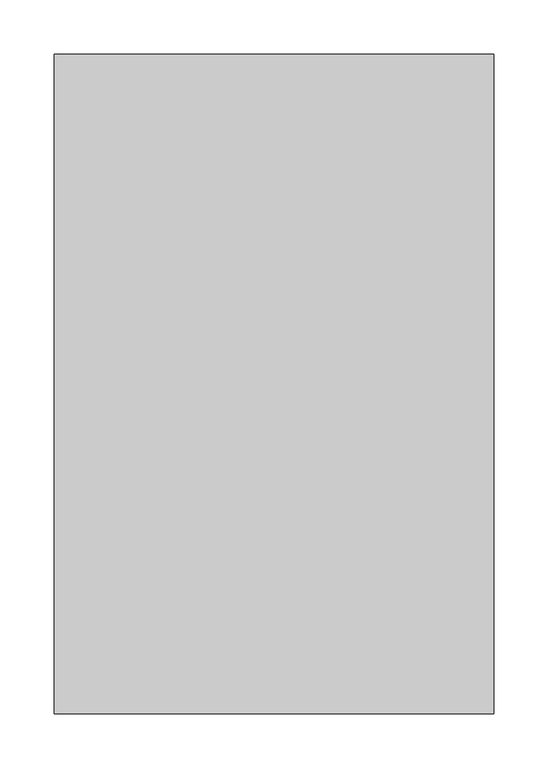
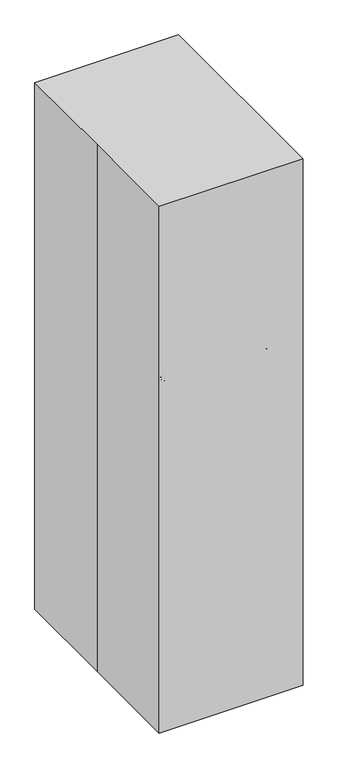
"""IFC4 building model written with IfcOpenShell, lengths in millimetres: proxy geometry."""

from ifc_helpers import new_model, si_unit, point, frame, origin, origin_with_axes, place, context, project, spatial, polyline, circle_curve, ellipse_curve, trimmed, outline, extrude, source, transform, mapped, element, save
from ifc_brep_helpers import plane_surface, cylinder_surface, revolved_surface, advanced_brep


def specialty_equipment_9fd3930d(model_context):
    return source(origin(), model_context, "Body", "SolidModel", [
        advanced_brep(
        [(-123.5140783, 201.8552552, 999.8159151), (-136.2140783, 189.1552552, 999.8159151), (-136.2140783, 189.1552552, 996.6409151), (-123.5140783, 201.8552552, 996.6409151), (-123.5140783, 224.0802552, 1002.9909151), (-158.4390783, 189.1552552, 1002.9909151), (-155.2640783, 189.1552552, 999.8159151), (-123.5140783, 220.9052552, 999.8159151), (-123.5140783, 224.0802552, 1015.2574617), (-158.4390783, 189.1552552, 1015.2574617), (-123.5140783, 226.4102935, 1017.5875), (-160.7691166, 189.1552552, 1017.5875), (-123.5140783, 233.6052552, 1015.5808485), (-167.9640783, 189.1552552, 1015.5808485), (-165.9574268, 189.1552552, 1017.5875), (-123.5140783, 231.5986038, 1017.5875), (-123.5140783, 233.6052552, 1011.9917262), (-167.9640783, 189.1552552, 1011.9917262), (-123.5140783, 232.8510291, 1011.2375), (-167.2098521, 189.1552552, 1011.2375), (-123.5140783, 232.0177552, 1016.0), (-166.3765783, 189.1552552, 1016.0), (-166.3765783, 189.1552552, 1011.2375), (-123.5140783, 232.0177552, 1011.2375), (-123.5140783, 227.2552552, 1002.9909151), (-161.6140783, 189.1552552, 1002.9909151), (-161.6140783, 189.1552552, 1016.0), (-123.5140783, 227.2552552, 1016.0), (-123.5140783, 220.9052552, 996.6409151), (-155.2640783, 189.1552552, 996.6409151), (124.1359217, 201.8552552, 996.6409151), (124.1359217, 201.8552552, 999.8159151), (124.1359217, 220.9052552, 999.8159151), (124.1359217, 224.0802552, 1002.9909151), (124.1359217, 224.0802552, 1015.2574617), (124.1359217, 226.4102935, 1017.5875), (124.1359217, 231.5986038, 1017.5875), (124.1359217, 233.6052552, 1015.5808485), (124.1359217, 233.6052552, 1011.9917262), (124.1359217, 232.8510291, 1011.2375), (124.1359217, 232.0177552, 1011.2375), (124.1359217, 232.0177552, 1016.0), (124.1359217, 227.2552552, 1016.0), (124.1359217, 227.2552552, 1002.9909151), (124.1359217, 220.9052552, 996.6409151), (136.8359217, 189.1552552, 999.8159151), (136.8359217, 189.1552552, 996.6409151), (159.0609217, 189.1552552, 1002.9909151), (155.8859217, 189.1552552, 999.8159151), (159.0609217, 189.1552552, 1015.2574617), (161.39096, 189.1552552, 1017.5875), (168.5859217, 189.1552552, 1015.5808485), (166.5792702, 189.1552552, 1017.5875), (168.5859217, 189.1552552, 1011.9917262), (167.8316955, 189.1552552, 1011.2375), (166.9984217, 189.1552552, 1016.0), (166.9984217, 189.1552552, 1011.2375), (162.2359217, 189.1552552, 1002.9909151), (162.2359217, 189.1552552, 1016.0), (155.8859217, 189.1552552, 996.6409151), (136.8359217, -223.5947448, 996.6409151), (136.8359217, -223.5947448, 999.8159151), (155.8859217, -223.5947448, 999.8159151), (159.0609217, -223.5947448, 1002.9909151), (159.0609217, -223.5947448, 1015.2574617), (161.39096, -223.5947448, 1017.5875), (166.5792702, -223.5947448, 1017.5875), (168.5859217, -223.5947448, 1015.5808485), (168.5859217, -223.5947448, 1011.9917262), (167.8316955, -223.5947448, 1011.2375), (166.9984217, -223.5947448, 1011.2375), (166.9984217, -223.5947448, 1016.0), (162.2359217, -223.5947448, 1016.0), (162.2359217, -223.5947448, 1002.9909151), (155.8859217, -223.5947448, 996.6409151), (124.1359217, -236.2947448, 999.8159151), (124.1359217, -236.2947448, 996.6409151), (124.1359217, -258.5197448, 1002.9909151), (124.1359217, -255.3447448, 999.8159151), (124.1359217, -258.5197448, 1015.2574617), (124.1359217, -260.849783, 1017.5875), (124.1359217, -268.0447448, 1015.5808485), (124.1359217, -266.0380933, 1017.5875), (124.1359217, -268.0447448, 1011.9917262), (124.1359217, -267.2905186, 1011.2375), (124.1359217, -266.4572448, 1016.0), (124.1359217, -266.4572448, 1011.2375), (124.1359217, -261.6947448, 1002.9909151), (124.1359217, -261.6947448, 1016.0), (124.1359217, -255.3447448, 996.6409151), (-123.5140783, -236.2947448, 996.6409151), (-123.5140783, -236.2947448, 999.8159151), (-123.5140783, -255.3447448, 999.8159151), (-123.5140783, -258.5197448, 1002.9909151), (-123.5140783, -258.5197448, 1015.2574617), (-123.5140783, -260.849783, 1017.5875), (-123.5140783, -266.0380933, 1017.5875), (-123.5140783, -268.0447448, 1015.5808485), (-123.5140783, -268.0447448, 1011.9917262), (-123.5140783, -267.2905186, 1011.2375), (-123.5140783, -266.4572448, 1011.2375), (-123.5140783, -266.4572448, 1016.0), (-123.5140783, -261.6947448, 1016.0), (-123.5140783, -261.6947448, 1002.9909151), (-123.5140783, -255.3447448, 996.6409151), (-136.2140783, -223.5947448, 999.8159151), (-136.2140783, -223.5947448, 996.6409151), (-155.2640783, -223.5947448, 999.8159151), (-158.4390783, -223.5947448, 1002.9909151), (-158.4390783, -223.5947448, 1015.2574617), (-160.7691166, -223.5947448, 1017.5875), (-165.9574268, -223.5947448, 1017.5875), (-167.9640783, -223.5947448, 1015.5808485), (-167.9640783, -223.5947448, 1011.9917262), (-167.2098521, -223.5947448, 1011.2375), (-166.3765783, -223.5947448, 1011.2375), (-166.3765783, -223.5947448, 1016.0), (-161.6140783, -223.5947448, 1016.0), (-161.6140783, -223.5947448, 1002.9909151), (-155.2640783, -223.5947448, 996.6409151)],
        [
            (0, 1, circle_curve(frame((-123.5140783, 189.1552552, 999.8159151), z_axis=(0.0, 0.0, 1.0), x_axis=(-1.0, 0.0, 0.0)), 12.7)),
            (1, 2),
            (2, 3, circle_curve(frame((-123.5140783, 189.1552552, 996.6409151), z_axis=(0.0, 0.0, -1.0), x_axis=(-1.0, 0.0, 0.0)), 12.7)),
            (3, 0),
            (4, 5, circle_curve(frame((-123.5140783, 189.1552552, 1002.9909151), z_axis=(0.0, 0.0, 1.0), x_axis=(-1.0, 0.0, 0.0)), 34.925)),
            (5, 6, circle_curve(frame((-155.2640783, 189.1552552, 1002.9909151), z_axis=(0.0, -1.0, 0.0), x_axis=(-1.0, 0.0, 0.0)), 3.175)),
            (6, 7, circle_curve(frame((-123.5140783, 189.1552552, 999.8159151), z_axis=(0.0, 0.0, -1.0), x_axis=(-1.0, 0.0, 0.0)), 31.75)),
            (7, 4, circle_curve(frame((-123.5140783, 220.9052552, 1002.9909151), z_axis=(1.0, 0.0, 0.0), x_axis=(0.0, 1.0, 0.0)), 3.175)),
            (8, 9, circle_curve(frame((-123.5140783, 189.1552552, 1015.2574617), z_axis=(0.0, 0.0, 1.0), x_axis=(-1.0, 0.0, 0.0)), 34.925)),
            (9, 5),
            (4, 8),
            (10, 11, circle_curve(frame((-123.5140783, 189.1552552, 1017.5875), z_axis=(0.0, 0.0, 1.0), x_axis=(-1.0, 0.0, 0.0)), 37.2550383)),
            (11, 9, circle_curve(frame((-160.7691166, 189.1552552, 1015.2574617), z_axis=(0.0, 1.0, 0.0), x_axis=(-1.0, 0.0, 0.0)), 2.3300383)),
            (8, 10, circle_curve(frame((-123.5140783, 226.4102935, 1015.2574617), z_axis=(-1.0, 0.0, 0.0), x_axis=(0.0, 1.0, 0.0)), 2.3300383)),
            (12, 13, circle_curve(frame((-123.5140783, 189.1552552, 1015.5808485), z_axis=(0.0, 0.0, 1.0), x_axis=(-1.0, 0.0, 0.0)), 44.45)),
            (13, 14, circle_curve(frame((-165.9574268, 189.1552552, 1015.5808485), z_axis=(0.0, 1.0, 0.0), x_axis=(-1.0, 0.0, 0.0)), 2.0066515)),
            (14, 15, circle_curve(frame((-123.5140783, 189.1552552, 1017.5875), z_axis=(0.0, 0.0, -1.0), x_axis=(-1.0, 0.0, 0.0)), 42.4433485)),
            (15, 12, circle_curve(frame((-123.5140783, 231.5986038, 1015.5808485), z_axis=(-1.0, 0.0, 0.0), x_axis=(0.0, 1.0, 0.0)), 2.0066515)),
            (16, 17, circle_curve(frame((-123.5140783, 189.1552552, 1011.9917262), z_axis=(0.0, 0.0, 1.0), x_axis=(-1.0, 0.0, 0.0)), 44.45)),
            (17, 13),
            (12, 16),
            (18, 19, circle_curve(frame((-123.5140783, 189.1552552, 1011.2375), z_axis=(0.0, 0.0, 1.0), x_axis=(-1.0, 0.0, 0.0)), 43.6957738)),
            (19, 17, circle_curve(frame((-167.2098521, 189.1552552, 1011.9917262), z_axis=(0.0, 1.0, 0.0), x_axis=(-1.0, 0.0, 0.0)), 0.7542262)),
            (16, 18, circle_curve(frame((-123.5140783, 232.8510291, 1011.9917262), z_axis=(-1.0, 0.0, 0.0), x_axis=(0.0, 1.0, 0.0)), 0.7542262)),
            (20, 21, circle_curve(frame((-123.5140783, 189.1552552, 1016.0), z_axis=(0.0, 0.0, 1.0), x_axis=(-1.0, 0.0, 0.0)), 42.8625)),
            (21, 22),
            (22, 23, circle_curve(frame((-123.5140783, 189.1552552, 1011.2375), z_axis=(0.0, 0.0, -1.0), x_axis=(-1.0, 0.0, 0.0)), 42.8625)),
            (23, 20),
            (24, 25, circle_curve(frame((-123.5140783, 189.1552552, 1002.9909151), z_axis=(0.0, 0.0, 1.0), x_axis=(-1.0, 0.0, 0.0)), 38.1)),
            (25, 26),
            (26, 27, circle_curve(frame((-123.5140783, 189.1552552, 1016.0), z_axis=(0.0, 0.0, -1.0), x_axis=(-1.0, 0.0, 0.0)), 38.1)),
            (27, 24),
            (28, 29, circle_curve(frame((-123.5140783, 189.1552552, 996.6409151), z_axis=(0.0, 0.0, 1.0), x_axis=(-1.0, 0.0, 0.0)), 31.75)),
            (29, 25, circle_curve(frame((-155.2640783, 189.1552552, 1002.9909151), z_axis=(0.0, 1.0, 0.0), x_axis=(-1.0, 0.0, 0.0)), 6.35)),
            (24, 28, circle_curve(frame((-123.5140783, 220.9052552, 1002.9909151), z_axis=(-1.0, 0.0, 0.0), x_axis=(0.0, 1.0, 0.0)), 6.35)),
            (3, 30),
            (30, 31),
            (31, 0),
            (7, 32),
            (32, 33, circle_curve(frame((124.1359217, 220.9052552, 1002.9909151), z_axis=(1.0, 0.0, 0.0), x_axis=(0.0, 1.0, 0.0)), 3.175)),
            (33, 4),
            (33, 34),
            (34, 8),
            (34, 35, circle_curve(frame((124.1359217, 226.4102935, 1015.2574617), z_axis=(-1.0, 0.0, 0.0), x_axis=(0.0, 1.0, 0.0)), 2.3300383)),
            (35, 10),
            (15, 36),
            (36, 37, circle_curve(frame((124.1359217, 231.5986038, 1015.5808485), z_axis=(-1.0, 0.0, 0.0), x_axis=(0.0, 1.0, 0.0)), 2.0066515)),
            (37, 12),
            (37, 38),
            (38, 16),
            (38, 39, circle_curve(frame((124.1359217, 232.8510291, 1011.9917262), z_axis=(-1.0, 0.0, 0.0), x_axis=(0.0, 1.0, 0.0)), 0.7542262)),
            (39, 18),
            (23, 40),
            (40, 41),
            (41, 20),
            (27, 42),
            (42, 43),
            (43, 24),
            (43, 44, circle_curve(frame((124.1359217, 220.9052552, 1002.9909151), z_axis=(-1.0, 0.0, 0.0), x_axis=(0.0, 1.0, 0.0)), 6.35)),
            (44, 28),
            (45, 31, circle_curve(frame((124.1359217, 189.1552552, 999.8159151), z_axis=(0.0, 0.0, 1.0), x_axis=(0.0, 1.0, 0.0)), 12.7)),
            (30, 46, circle_curve(frame((124.1359217, 189.1552552, 996.6409151), z_axis=(0.0, 0.0, -1.0), x_axis=(0.0, 1.0, 0.0)), 12.7)),
            (46, 45),
            (47, 33, circle_curve(frame((124.1359217, 189.1552552, 1002.9909151), z_axis=(0.0, 0.0, 1.0), x_axis=(0.0, 1.0, 0.0)), 34.925)),
            (32, 48, circle_curve(frame((124.1359217, 189.1552552, 999.8159151), z_axis=(0.0, 0.0, -1.0), x_axis=(0.0, 1.0, 0.0)), 31.75)),
            (48, 47, circle_curve(frame((155.8859217, 189.1552552, 1002.9909151), z_axis=(0.0, -1.0, 0.0), x_axis=(1.0, 0.0, 0.0)), 3.175)),
            (49, 34, circle_curve(frame((124.1359217, 189.1552552, 1015.2574617), z_axis=(0.0, 0.0, 1.0), x_axis=(0.0, 1.0, 0.0)), 34.925)),
            (47, 49),
            (50, 35, circle_curve(frame((124.1359217, 189.1552552, 1017.5875), z_axis=(0.0, 0.0, 1.0), x_axis=(0.0, 1.0, 0.0)), 37.2550383)),
            (49, 50, circle_curve(frame((161.39096, 189.1552552, 1015.2574617), z_axis=(0.0, 1.0, 0.0), x_axis=(1.0, 0.0, 0.0)), 2.3300383)),
            (51, 37, circle_curve(frame((124.1359217, 189.1552552, 1015.5808485), z_axis=(0.0, 0.0, 1.0), x_axis=(0.0, 1.0, 0.0)), 44.45)),
            (36, 52, circle_curve(frame((124.1359217, 189.1552552, 1017.5875), z_axis=(0.0, 0.0, -1.0), x_axis=(0.0, 1.0, 0.0)), 42.4433485)),
            (52, 51, circle_curve(frame((166.5792702, 189.1552552, 1015.5808485), z_axis=(0.0, 1.0, 0.0), x_axis=(1.0, 0.0, 0.0)), 2.0066515)),
            (53, 38, circle_curve(frame((124.1359217, 189.1552552, 1011.9917262), z_axis=(0.0, 0.0, 1.0), x_axis=(0.0, 1.0, 0.0)), 44.45)),
            (51, 53),
            (54, 39, circle_curve(frame((124.1359217, 189.1552552, 1011.2375), z_axis=(0.0, 0.0, 1.0), x_axis=(0.0, 1.0, 0.0)), 43.6957738)),
            (53, 54, circle_curve(frame((167.8316955, 189.1552552, 1011.9917262), z_axis=(0.0, 1.0, 0.0), x_axis=(1.0, 0.0, 0.0)), 0.7542262)),
            (55, 41, circle_curve(frame((124.1359217, 189.1552552, 1016.0), z_axis=(0.0, 0.0, 1.0), x_axis=(0.0, 1.0, 0.0)), 42.8625)),
            (40, 56, circle_curve(frame((124.1359217, 189.1552552, 1011.2375), z_axis=(0.0, 0.0, -1.0), x_axis=(0.0, 1.0, 0.0)), 42.8625)),
            (56, 55),
            (57, 43, circle_curve(frame((124.1359217, 189.1552552, 1002.9909151), z_axis=(0.0, 0.0, 1.0), x_axis=(0.0, 1.0, 0.0)), 38.1)),
            (42, 58, circle_curve(frame((124.1359217, 189.1552552, 1016.0), z_axis=(0.0, 0.0, -1.0), x_axis=(0.0, 1.0, 0.0)), 38.1)),
            (58, 57),
            (59, 44, circle_curve(frame((124.1359217, 189.1552552, 996.6409151), z_axis=(0.0, 0.0, 1.0), x_axis=(0.0, 1.0, 0.0)), 31.75)),
            (57, 59, circle_curve(frame((155.8859217, 189.1552552, 1002.9909151), z_axis=(0.0, 1.0, 0.0), x_axis=(1.0, 0.0, 0.0)), 6.35)),
            (46, 60),
            (60, 61),
            (61, 45),
            (48, 62),
            (62, 63, circle_curve(frame((155.8859217, -223.5947448, 1002.9909151), z_axis=(0.0, -1.0, 0.0), x_axis=(1.0, 0.0, 0.0)), 3.175)),
            (63, 47),
            (63, 64),
            (64, 49),
            (64, 65, circle_curve(frame((161.39096, -223.5947448, 1015.2574617), z_axis=(0.0, 1.0, 0.0), x_axis=(1.0, 0.0, 0.0)), 2.3300383)),
            (65, 50),
            (52, 66),
            (66, 67, circle_curve(frame((166.5792702, -223.5947448, 1015.5808485), z_axis=(0.0, 1.0, 0.0), x_axis=(1.0, 0.0, 0.0)), 2.0066515)),
            (67, 51),
            (67, 68),
            (68, 53),
            (68, 69, circle_curve(frame((167.8316955, -223.5947448, 1011.9917262), z_axis=(0.0, 1.0, 0.0), x_axis=(1.0, 0.0, 0.0)), 0.7542262)),
            (69, 54),
            (56, 70),
            (70, 71),
            (71, 55),
            (58, 72),
            (72, 73),
            (73, 57),
            (73, 74, circle_curve(frame((155.8859217, -223.5947448, 1002.9909151), z_axis=(0.0, 1.0, 0.0), x_axis=(1.0, 0.0, 0.0)), 6.35)),
            (74, 59),
            (75, 61, circle_curve(frame((124.1359217, -223.5947448, 999.8159151), z_axis=(0.0, 0.0, 1.0), x_axis=(1.0, 0.0, 0.0)), 12.7)),
            (60, 76, circle_curve(frame((124.1359217, -223.5947448, 996.6409151), z_axis=(0.0, 0.0, -1.0), x_axis=(1.0, 0.0, 0.0)), 12.7)),
            (76, 75),
            (77, 63, circle_curve(frame((124.1359217, -223.5947448, 1002.9909151), z_axis=(0.0, 0.0, 1.0), x_axis=(1.0, 0.0, 0.0)), 34.925)),
            (62, 78, circle_curve(frame((124.1359217, -223.5947448, 999.8159151), z_axis=(0.0, 0.0, -1.0), x_axis=(1.0, 0.0, 0.0)), 31.75)),
            (78, 77, circle_curve(frame((124.1359217, -255.3447448, 1002.9909151), z_axis=(-1.0, 0.0, 0.0), x_axis=(0.0, -1.0, 0.0)), 3.175)),
            (79, 64, circle_curve(frame((124.1359217, -223.5947448, 1015.2574617), z_axis=(0.0, 0.0, 1.0), x_axis=(1.0, 0.0, 0.0)), 34.925)),
            (77, 79),
            (80, 65, circle_curve(frame((124.1359217, -223.5947448, 1017.5875), z_axis=(0.0, 0.0, 1.0), x_axis=(1.0, 0.0, 0.0)), 37.2550383)),
            (79, 80, circle_curve(frame((124.1359217, -260.849783, 1015.2574617), z_axis=(1.0, 0.0, 0.0), x_axis=(0.0, -1.0, 0.0)), 2.3300383)),
            (81, 67, circle_curve(frame((124.1359217, -223.5947448, 1015.5808485), z_axis=(0.0, 0.0, 1.0), x_axis=(1.0, 0.0, 0.0)), 44.45)),
            (66, 82, circle_curve(frame((124.1359217, -223.5947448, 1017.5875), z_axis=(0.0, 0.0, -1.0), x_axis=(1.0, 0.0, 0.0)), 42.4433485)),
            (82, 81, circle_curve(frame((124.1359217, -266.0380933, 1015.5808485), z_axis=(1.0, 0.0, 0.0), x_axis=(0.0, -1.0, 0.0)), 2.0066515)),
            (83, 68, circle_curve(frame((124.1359217, -223.5947448, 1011.9917262), z_axis=(0.0, 0.0, 1.0), x_axis=(1.0, 0.0, 0.0)), 44.45)),
            (81, 83),
            (84, 69, circle_curve(frame((124.1359217, -223.5947448, 1011.2375), z_axis=(0.0, 0.0, 1.0), x_axis=(1.0, 0.0, 0.0)), 43.6957738)),
            (83, 84, circle_curve(frame((124.1359217, -267.2905186, 1011.9917262), z_axis=(1.0, 0.0, 0.0), x_axis=(0.0, -1.0, 0.0)), 0.7542262)),
            (85, 71, circle_curve(frame((124.1359217, -223.5947448, 1016.0), z_axis=(0.0, 0.0, 1.0), x_axis=(1.0, 0.0, 0.0)), 42.8625)),
            (70, 86, circle_curve(frame((124.1359217, -223.5947448, 1011.2375), z_axis=(0.0, 0.0, -1.0), x_axis=(1.0, 0.0, 0.0)), 42.8625)),
            (86, 85),
            (87, 73, circle_curve(frame((124.1359217, -223.5947448, 1002.9909151), z_axis=(0.0, 0.0, 1.0), x_axis=(1.0, 0.0, 0.0)), 38.1)),
            (72, 88, circle_curve(frame((124.1359217, -223.5947448, 1016.0), z_axis=(0.0, 0.0, -1.0), x_axis=(1.0, 0.0, 0.0)), 38.1)),
            (88, 87),
            (89, 74, circle_curve(frame((124.1359217, -223.5947448, 996.6409151), z_axis=(0.0, 0.0, 1.0), x_axis=(1.0, 0.0, 0.0)), 31.75)),
            (87, 89, circle_curve(frame((124.1359217, -255.3447448, 1002.9909151), z_axis=(1.0, 0.0, 0.0), x_axis=(0.0, -1.0, 0.0)), 6.35)),
            (76, 90),
            (90, 91),
            (91, 75),
            (78, 92),
            (92, 93, circle_curve(frame((-123.5140783, -255.3447448, 1002.9909151), z_axis=(-1.0, 0.0, 0.0), x_axis=(0.0, -1.0, 0.0)), 3.175)),
            (93, 77),
            (93, 94),
            (94, 79),
            (94, 95, circle_curve(frame((-123.5140783, -260.849783, 1015.2574617), z_axis=(1.0, 0.0, 0.0), x_axis=(0.0, -1.0, 0.0)), 2.3300383)),
            (95, 80),
            (82, 96),
            (96, 97, circle_curve(frame((-123.5140783, -266.0380933, 1015.5808485), z_axis=(1.0, 0.0, 0.0), x_axis=(0.0, -1.0, 0.0)), 2.0066515)),
            (97, 81),
            (97, 98),
            (98, 83),
            (98, 99, circle_curve(frame((-123.5140783, -267.2905186, 1011.9917262), z_axis=(1.0, 0.0, 0.0), x_axis=(0.0, -1.0, 0.0)), 0.7542262)),
            (99, 84),
            (86, 100),
            (100, 101),
            (101, 85),
            (88, 102),
            (102, 103),
            (103, 87),
            (103, 104, circle_curve(frame((-123.5140783, -255.3447448, 1002.9909151), z_axis=(1.0, 0.0, 0.0), x_axis=(0.0, -1.0, 0.0)), 6.35)),
            (104, 89),
            (105, 91, circle_curve(frame((-123.5140783, -223.5947448, 999.8159151), z_axis=(0.0, 0.0, 1.0), x_axis=(0.0, -1.0, 0.0)), 12.7)),
            (90, 106, circle_curve(frame((-123.5140783, -223.5947448, 996.6409151), z_axis=(0.0, 0.0, -1.0), x_axis=(0.0, -1.0, 0.0)), 12.7)),
            (106, 105),
            (107, 92, circle_curve(frame((-123.5140783, -223.5947448, 999.8159151), z_axis=(0.0, 0.0, 1.0), x_axis=(0.0, -1.0, 0.0)), 31.75)),
            (6, 107),
            (105, 1),
            (108, 93, circle_curve(frame((-123.5140783, -223.5947448, 1002.9909151), z_axis=(0.0, 0.0, 1.0), x_axis=(0.0, -1.0, 0.0)), 34.925)),
            (107, 108, circle_curve(frame((-155.2640783, -223.5947448, 1002.9909151), z_axis=(0.0, 1.0, 0.0), x_axis=(-1.0, 0.0, 0.0)), 3.175)),
            (109, 94, circle_curve(frame((-123.5140783, -223.5947448, 1015.2574617), z_axis=(0.0, 0.0, 1.0), x_axis=(0.0, -1.0, 0.0)), 34.925)),
            (108, 109),
            (110, 95, circle_curve(frame((-123.5140783, -223.5947448, 1017.5875), z_axis=(0.0, 0.0, 1.0), x_axis=(0.0, -1.0, 0.0)), 37.2550383)),
            (109, 110, circle_curve(frame((-160.7691166, -223.5947448, 1015.2574617), z_axis=(0.0, -1.0, 0.0), x_axis=(-1.0, 0.0, 0.0)), 2.3300383)),
            (111, 96, circle_curve(frame((-123.5140783, -223.5947448, 1017.5875), z_axis=(0.0, 0.0, 1.0), x_axis=(0.0, -1.0, 0.0)), 42.4433485)),
            (14, 111),
            (110, 11),
            (112, 97, circle_curve(frame((-123.5140783, -223.5947448, 1015.5808485), z_axis=(0.0, 0.0, 1.0), x_axis=(0.0, -1.0, 0.0)), 44.45)),
            (111, 112, circle_curve(frame((-165.9574268, -223.5947448, 1015.5808485), z_axis=(0.0, -1.0, 0.0), x_axis=(-1.0, 0.0, 0.0)), 2.0066515)),
            (113, 98, circle_curve(frame((-123.5140783, -223.5947448, 1011.9917262), z_axis=(0.0, 0.0, 1.0), x_axis=(0.0, -1.0, 0.0)), 44.45)),
            (112, 113),
            (114, 99, circle_curve(frame((-123.5140783, -223.5947448, 1011.2375), z_axis=(0.0, 0.0, 1.0), x_axis=(0.0, -1.0, 0.0)), 43.6957738)),
            (113, 114, circle_curve(frame((-167.2098521, -223.5947448, 1011.9917262), z_axis=(0.0, -1.0, 0.0), x_axis=(-1.0, 0.0, 0.0)), 0.7542262)),
            (114, 19),
            (115, 100, circle_curve(frame((-123.5140783, -223.5947448, 1011.2375), z_axis=(0.0, 0.0, 1.0), x_axis=(0.0, -1.0, 0.0)), 42.8625)),
            (22, 115),
            (116, 101, circle_curve(frame((-123.5140783, -223.5947448, 1016.0), z_axis=(0.0, 0.0, 1.0), x_axis=(0.0, -1.0, 0.0)), 42.8625)),
            (115, 116),
            (116, 21),
            (117, 102, circle_curve(frame((-123.5140783, -223.5947448, 1016.0), z_axis=(0.0, 0.0, 1.0), x_axis=(0.0, -1.0, 0.0)), 38.1)),
            (26, 117),
            (118, 103, circle_curve(frame((-123.5140783, -223.5947448, 1002.9909151), z_axis=(0.0, 0.0, 1.0), x_axis=(0.0, -1.0, 0.0)), 38.1)),
            (117, 118),
            (119, 104, circle_curve(frame((-123.5140783, -223.5947448, 996.6409151), z_axis=(0.0, 0.0, 1.0), x_axis=(0.0, -1.0, 0.0)), 31.75)),
            (118, 119, circle_curve(frame((-155.2640783, -223.5947448, 1002.9909151), z_axis=(0.0, -1.0, 0.0), x_axis=(-1.0, 0.0, 0.0)), 6.35)),
            (119, 29),
            (2, 106),
            (5, 108),
            (9, 109),
            (13, 112),
            (17, 113),
            (25, 118),
        ],
        [
            revolved_surface(polyline([(-136.21407829999998, 189.1552552, 996.6409151), (-136.21407829999998, 189.1552552, 999.8159151)]), (-123.5140783, 189.1552552, 977.5909151), (0.0, 0.0, -1.0)),
            revolved_surface(trimmed(ellipse_curve(frame((-155.2640783, 189.1552552, 1002.9909151), z_axis=(0.0, 1.0, 0.0), x_axis=(-1.0, 0.0, 0.0)), 3.175, 3.175), [point((-155.2640783, 189.1552552, 999.8159151))], [point((-158.4390783, 189.1552552, 1002.9909151))], True, "CARTESIAN"), (-123.5140783, 189.1552552, 977.5909151), (0.0, 0.0, -1.0)),
            revolved_surface(polyline([(-158.4390783, 189.1552552, 1002.9909151), (-158.4390783, 189.1552552, 1015.2574617)]), (-123.5140783, 189.1552552, 977.5909151), (0.0, 0.0, -1.0)),
            revolved_surface(trimmed(ellipse_curve(frame((-160.7691166, 189.1552552, 1015.2574617), z_axis=(0.0, -1.0, 0.0), x_axis=(-1.0, 0.0, 0.0)), 2.3300383, 2.3300383), [point((-158.4390783, 189.1552552, 1015.2574617))], [point((-160.7691166, 189.1552552, 1017.5875))], True, "CARTESIAN"), (-123.5140783, 189.1552552, 977.5909151), (0.0, 0.0, -1.0)),
            revolved_surface(trimmed(ellipse_curve(frame((-165.9574268, 189.1552552, 1015.5808485), z_axis=(0.0, -1.0, 0.0), x_axis=(-1.0, 0.0, 0.0)), 2.0066515, 2.0066515), [point((-165.9574268, 189.1552552, 1017.5875))], [point((-167.9640783, 189.1552552, 1015.5808485))], True, "CARTESIAN"), (-123.5140783, 189.1552552, 977.5909151), (0.0, 0.0, -1.0)),
            cylinder_surface(frame((-123.5140783, 189.1552552, 977.5909151), z_axis=(0.0, 0.0, -1.0), x_axis=(-1.0, 0.0, 0.0)), 44.45),
            revolved_surface(trimmed(ellipse_curve(frame((-167.2098521, 189.1552552, 1011.9917262), z_axis=(0.0, -1.0, 0.0), x_axis=(-1.0, 0.0, 0.0)), 0.7542262, 0.7542262), [point((-167.9640783, 189.1552552, 1011.9917262))], [point((-167.2098521, 189.1552552, 1011.2375))], True, "CARTESIAN"), (-123.5140783, 189.1552552, 977.5909151), (0.0, 0.0, -1.0)),
            revolved_surface(polyline([(-166.3765783, 189.1552552, 1011.2375), (-166.3765783, 189.1552552, 1016.0)]), (-123.5140783, 189.1552552, 977.5909151), (0.0, 0.0, -1.0)),
            cylinder_surface(frame((-123.5140783, 189.1552552, 977.5909151), z_axis=(0.0, 0.0, -1.0), x_axis=(-1.0, 0.0, 0.0)), 38.1),
            revolved_surface(trimmed(ellipse_curve(frame((-155.2640783, 189.1552552, 1002.9909151), z_axis=(0.0, -1.0, 0.0), x_axis=(-1.0, 0.0, 0.0)), 6.35, 6.35), [point((-161.6140783, 189.1552552, 1002.9909151))], [point((-155.2640783, 189.1552552, 996.6409151))], True, "CARTESIAN"), (-123.5140783, 189.1552552, 977.5909151), (0.0, 0.0, -1.0)),
            plane_surface(frame((-123.5140783, 201.8552552, 996.6409151), z_axis=(0.0, -1.0, 0.0), x_axis=(1.0, 0.0, 0.0))),
            revolved_surface(polyline([(124.13592169999998, 224.0802552, 1002.9909151), (-123.5140783, 224.0802552, 1002.9909151)]), (-123.5140783, 220.9052552, 1002.9909151), (1.0, 0.0, 0.0)),
            plane_surface(frame((-123.5140783, 224.0802552, 1002.9909151), z_axis=(0.0, -1.0, 0.0), x_axis=(1.0, 0.0, 0.0))),
            cylinder_surface(frame((-123.5140783, 226.4102935, 1015.2574617), z_axis=(-1.0, 0.0, 0.0), x_axis=(0.0, 1.0, 0.0)), 2.3300383),
            cylinder_surface(frame((-123.5140783, 231.5986038, 1015.5808485), z_axis=(-1.0, 0.0, 0.0), x_axis=(0.0, 1.0, 0.0)), 2.0066515),
            plane_surface(frame((-123.5140783, 233.6052552, 1015.5808485), z_axis=(0.0, 1.0, 0.0), x_axis=(1.0, 0.0, 0.0))),
            cylinder_surface(frame((-123.5140783, 232.8510291, 1011.9917262), z_axis=(-1.0, 0.0, 0.0), x_axis=(0.0, 1.0, 0.0)), 0.7542262),
            plane_surface(frame((-123.5140783, 232.0177552, 1011.2375), z_axis=(0.0, -1.0, 0.0), x_axis=(1.0, 0.0, 0.0))),
            plane_surface(frame((-123.5140783, 227.2552552, 1016.0), z_axis=(0.0, 1.0, 0.0), x_axis=(1.0, 0.0, 0.0))),
            cylinder_surface(frame((-123.5140783, 220.9052552, 1002.9909151), z_axis=(-1.0, 0.0, 0.0), x_axis=(0.0, 1.0, 0.0)), 6.35),
            revolved_surface(polyline([(124.1359217, 201.8552552, 996.6409151), (124.1359217, 201.8552552, 999.8159151)]), (124.1359217, 189.1552552, 977.5909151), (0.0, 0.0, -1.0)),
            revolved_surface(trimmed(ellipse_curve(frame((124.1359217, 220.9052552, 1002.9909151), z_axis=(1.0, 0.0, 0.0), x_axis=(0.0, 1.0, 0.0)), 3.175, 3.175), [point((124.1359217, 220.9052552, 999.8159151))], [point((124.1359217, 224.0802552, 1002.9909151))], True, "CARTESIAN"), (124.1359217, 189.1552552, 977.5909151), (0.0, 0.0, -1.0)),
            revolved_surface(polyline([(124.1359217, 224.0802552, 1002.9909151), (124.1359217, 224.0802552, 1015.2574617)]), (124.1359217, 189.1552552, 977.5909151), (0.0, 0.0, -1.0)),
            revolved_surface(trimmed(ellipse_curve(frame((124.1359217, 226.4102935, 1015.2574617), z_axis=(-1.0, 0.0, 0.0), x_axis=(0.0, 1.0, 0.0)), 2.3300383, 2.3300383), [point((124.1359217, 224.0802552, 1015.2574617))], [point((124.1359217, 226.4102935, 1017.5875))], True, "CARTESIAN"), (124.1359217, 189.1552552, 977.5909151), (0.0, 0.0, -1.0)),
            revolved_surface(trimmed(ellipse_curve(frame((124.1359217, 231.5986038, 1015.5808485), z_axis=(-1.0, 0.0, 0.0), x_axis=(0.0, 1.0, 0.0)), 2.0066515, 2.0066515), [point((124.1359217, 231.5986038, 1017.5875))], [point((124.1359217, 233.6052552, 1015.5808485))], True, "CARTESIAN"), (124.1359217, 189.1552552, 977.5909151), (0.0, 0.0, -1.0)),
            cylinder_surface(frame((124.1359217, 189.1552552, 977.5909151), z_axis=(0.0, 0.0, -1.0), x_axis=(0.0, 1.0, 0.0)), 44.45),
            revolved_surface(trimmed(ellipse_curve(frame((124.1359217, 232.8510291, 1011.9917262), z_axis=(-1.0, 0.0, 0.0), x_axis=(0.0, 1.0, 0.0)), 0.7542262, 0.7542262), [point((124.1359217, 233.6052552, 1011.9917262))], [point((124.1359217, 232.8510291, 1011.2375))], True, "CARTESIAN"), (124.1359217, 189.1552552, 977.5909151), (0.0, 0.0, -1.0)),
            revolved_surface(polyline([(124.1359217, 232.0177552, 1011.2375), (124.1359217, 232.0177552, 1016.0)]), (124.1359217, 189.1552552, 977.5909151), (0.0, 0.0, -1.0)),
            cylinder_surface(frame((124.1359217, 189.1552552, 977.5909151), z_axis=(0.0, 0.0, -1.0), x_axis=(0.0, 1.0, 0.0)), 38.1),
            revolved_surface(trimmed(ellipse_curve(frame((124.1359217, 220.9052552, 1002.9909151), z_axis=(-1.0, 0.0, 0.0), x_axis=(0.0, 1.0, 0.0)), 6.35, 6.35), [point((124.1359217, 227.2552552, 1002.9909151))], [point((124.1359217, 220.9052552, 996.6409151))], True, "CARTESIAN"), (124.1359217, 189.1552552, 977.5909151), (0.0, 0.0, -1.0)),
            plane_surface(frame((136.8359217, 189.1552552, 996.6409151), z_axis=(-1.0, 0.0, 0.0), x_axis=(0.0, -1.0, 0.0))),
            revolved_surface(polyline([(159.06092170000002, -223.5947448, 1002.9909151), (159.06092170000002, 189.1552552, 1002.9909151)]), (155.8859217, 189.1552552, 1002.9909151), (0.0, -1.0, 0.0)),
            plane_surface(frame((159.0609217, 189.1552552, 1002.9909151), z_axis=(-1.0, 0.0, 0.0), x_axis=(0.0, -1.0, 0.0))),
            cylinder_surface(frame((161.39096, 189.1552552, 1015.2574617), z_axis=(0.0, 1.0, 0.0), x_axis=(1.0, 0.0, 0.0)), 2.3300383),
            cylinder_surface(frame((166.5792702, 189.1552552, 1015.5808485), z_axis=(0.0, 1.0, 0.0), x_axis=(1.0, 0.0, 0.0)), 2.0066515),
            plane_surface(frame((168.5859217, 189.1552552, 1015.5808485), z_axis=(1.0, 0.0, 0.0), x_axis=(0.0, -1.0, 0.0))),
            cylinder_surface(frame((167.8316955, 189.1552552, 1011.9917262), z_axis=(0.0, 1.0, 0.0), x_axis=(1.0, 0.0, 0.0)), 0.7542262),
            plane_surface(frame((166.9984217, 189.1552552, 1011.2375), z_axis=(-1.0, 0.0, 0.0), x_axis=(0.0, -1.0, 0.0))),
            plane_surface(frame((162.2359217, 189.1552552, 1016.0), z_axis=(1.0, 0.0, 0.0), x_axis=(0.0, -1.0, 0.0))),
            cylinder_surface(frame((155.8859217, 189.1552552, 1002.9909151), z_axis=(0.0, 1.0, 0.0), x_axis=(1.0, 0.0, 0.0)), 6.35),
            revolved_surface(polyline([(136.8359217, -223.5947448, 996.6409151), (136.8359217, -223.5947448, 999.8159151)]), (124.1359217, -223.5947448, 977.5909151), (0.0, 0.0, -1.0)),
            revolved_surface(trimmed(ellipse_curve(frame((155.8859217, -223.5947448, 1002.9909151), z_axis=(0.0, -1.0, 0.0), x_axis=(1.0, 0.0, 0.0)), 3.175, 3.175), [point((155.8859217, -223.5947448, 999.8159151))], [point((159.0609217, -223.5947448, 1002.9909151))], True, "CARTESIAN"), (124.1359217, -223.5947448, 977.5909151), (0.0, 0.0, -1.0)),
            revolved_surface(polyline([(159.0609217, -223.5947448, 1002.9909151), (159.0609217, -223.5947448, 1015.2574617)]), (124.1359217, -223.5947448, 977.5909151), (0.0, 0.0, -1.0)),
            revolved_surface(trimmed(ellipse_curve(frame((161.39096, -223.5947448, 1015.2574617), z_axis=(0.0, 1.0, 0.0), x_axis=(1.0, 0.0, 0.0)), 2.3300383, 2.3300383), [point((159.0609217, -223.5947448, 1015.2574617))], [point((161.39096, -223.5947448, 1017.5875))], True, "CARTESIAN"), (124.1359217, -223.5947448, 977.5909151), (0.0, 0.0, -1.0)),
            revolved_surface(trimmed(ellipse_curve(frame((166.5792702, -223.5947448, 1015.5808485), z_axis=(0.0, 1.0, 0.0), x_axis=(1.0, 0.0, 0.0)), 2.0066515, 2.0066515), [point((166.5792702, -223.5947448, 1017.5875))], [point((168.5859217, -223.5947448, 1015.5808485))], True, "CARTESIAN"), (124.1359217, -223.5947448, 977.5909151), (0.0, 0.0, -1.0)),
            cylinder_surface(frame((124.1359217, -223.5947448, 977.5909151), z_axis=(0.0, 0.0, -1.0), x_axis=(1.0, 0.0, 0.0)), 44.45),
            revolved_surface(trimmed(ellipse_curve(frame((167.8316955, -223.5947448, 1011.9917262), z_axis=(0.0, 1.0, 0.0), x_axis=(1.0, 0.0, 0.0)), 0.7542262, 0.7542262), [point((168.5859217, -223.5947448, 1011.9917262))], [point((167.8316955, -223.5947448, 1011.2375))], True, "CARTESIAN"), (124.1359217, -223.5947448, 977.5909151), (0.0, 0.0, -1.0)),
            revolved_surface(polyline([(166.9984217, -223.5947448, 1011.2375), (166.9984217, -223.5947448, 1016.0)]), (124.1359217, -223.5947448, 977.5909151), (0.0, 0.0, -1.0)),
            cylinder_surface(frame((124.1359217, -223.5947448, 977.5909151), z_axis=(0.0, 0.0, -1.0), x_axis=(1.0, 0.0, 0.0)), 38.1),
            revolved_surface(trimmed(ellipse_curve(frame((155.8859217, -223.5947448, 1002.9909151), z_axis=(0.0, 1.0, 0.0), x_axis=(1.0, 0.0, 0.0)), 6.35, 6.35), [point((162.2359217, -223.5947448, 1002.9909151))], [point((155.8859217, -223.5947448, 996.6409151))], True, "CARTESIAN"), (124.1359217, -223.5947448, 977.5909151), (0.0, 0.0, -1.0)),
            plane_surface(frame((124.1359217, -236.2947448, 996.6409151), z_axis=(0.0, 1.0, 0.0), x_axis=(-1.0, 0.0, 0.0))),
            revolved_surface(polyline([(-123.51407829999998, -258.5197448, 1002.9909151), (124.1359217, -258.5197448, 1002.9909151)]), (124.1359217, -255.3447448, 1002.9909151), (-1.0, 0.0, 0.0)),
            plane_surface(frame((124.1359217, -258.5197448, 1002.9909151), z_axis=(0.0, 1.0, 0.0), x_axis=(-1.0, 0.0, 0.0))),
            cylinder_surface(frame((124.1359217, -260.849783, 1015.2574617), z_axis=(1.0, 0.0, 0.0), x_axis=(0.0, -1.0, 0.0)), 2.3300383),
            cylinder_surface(frame((124.1359217, -266.0380933, 1015.5808485), z_axis=(1.0, 0.0, 0.0), x_axis=(0.0, -1.0, 0.0)), 2.0066515),
            plane_surface(frame((124.1359217, -268.0447448, 1015.5808485), z_axis=(0.0, -1.0, 0.0), x_axis=(-1.0, 0.0, 0.0))),
            cylinder_surface(frame((124.1359217, -267.2905186, 1011.9917262), z_axis=(1.0, 0.0, 0.0), x_axis=(0.0, -1.0, 0.0)), 0.7542262),
            plane_surface(frame((124.1359217, -266.4572448, 1011.2375), z_axis=(0.0, 1.0, 0.0), x_axis=(-1.0, 0.0, 0.0))),
            plane_surface(frame((124.1359217, -261.6947448, 1016.0), z_axis=(0.0, -1.0, 0.0), x_axis=(-1.0, 0.0, 0.0))),
            cylinder_surface(frame((124.1359217, -255.3447448, 1002.9909151), z_axis=(1.0, 0.0, 0.0), x_axis=(0.0, -1.0, 0.0)), 6.35),
            revolved_surface(polyline([(-123.5140783, -236.2947448, 996.6409151), (-123.5140783, -236.2947448, 999.8159151)]), (-123.5140783, -223.5947448, 977.5909151), (0.0, 0.0, -1.0)),
            plane_surface(frame((-123.5140783, -223.5947448, 999.8159151), z_axis=(0.0, 0.0, 1.0), x_axis=(0.0, -1.0, 0.0))),
            revolved_surface(trimmed(ellipse_curve(frame((-123.5140783, -255.3447448, 1002.9909151), z_axis=(-1.0, 0.0, 0.0), x_axis=(0.0, -1.0, 0.0)), 3.175, 3.175), [point((-123.5140783, -255.3447448, 999.8159151))], [point((-123.5140783, -258.5197448, 1002.9909151))], True, "CARTESIAN"), (-123.5140783, -223.5947448, 977.5909151), (0.0, 0.0, -1.0)),
            revolved_surface(polyline([(-123.5140783, -258.5197448, 1002.9909151), (-123.5140783, -258.5197448, 1015.2574617)]), (-123.5140783, -223.5947448, 977.5909151), (0.0, 0.0, -1.0)),
            revolved_surface(trimmed(ellipse_curve(frame((-123.5140783, -260.849783, 1015.2574617), z_axis=(1.0, 0.0, 0.0), x_axis=(0.0, -1.0, 0.0)), 2.3300383, 2.3300383), [point((-123.5140783, -258.5197448, 1015.2574617))], [point((-123.5140783, -260.849783, 1017.5875))], True, "CARTESIAN"), (-123.5140783, -223.5947448, 977.5909151), (0.0, 0.0, -1.0)),
            plane_surface(frame((-123.5140783, -223.5947448, 1017.5875), z_axis=(0.0, 0.0, 1.0), x_axis=(0.0, -1.0, 0.0))),
            revolved_surface(trimmed(ellipse_curve(frame((-123.5140783, -266.0380933, 1015.5808485), z_axis=(1.0, 0.0, 0.0), x_axis=(0.0, -1.0, 0.0)), 2.0066515, 2.0066515), [point((-123.5140783, -266.0380933, 1017.5875))], [point((-123.5140783, -268.0447448, 1015.5808485))], True, "CARTESIAN"), (-123.5140783, -223.5947448, 977.5909151), (0.0, 0.0, -1.0)),
            cylinder_surface(frame((-123.5140783, -223.5947448, 977.5909151), z_axis=(0.0, 0.0, -1.0), x_axis=(0.0, -1.0, 0.0)), 44.45),
            revolved_surface(trimmed(ellipse_curve(frame((-123.5140783, -267.2905186, 1011.9917262), z_axis=(1.0, 0.0, 0.0), x_axis=(0.0, -1.0, 0.0)), 0.7542262, 0.7542262), [point((-123.5140783, -268.0447448, 1011.9917262))], [point((-123.5140783, -267.2905186, 1011.2375))], True, "CARTESIAN"), (-123.5140783, -223.5947448, 977.5909151), (0.0, 0.0, -1.0)),
            plane_surface(frame((-123.5140783, -223.5947448, 1011.2375), z_axis=(0.0, 0.0, -1.0), x_axis=(0.0, -1.0, 0.0))),
            revolved_surface(polyline([(-123.5140783, -266.4572448, 1011.2375), (-123.5140783, -266.4572448, 1016.0)]), (-123.5140783, -223.5947448, 977.5909151), (0.0, 0.0, -1.0)),
            plane_surface(frame((-123.5140783, -223.5947448, 1016.0), z_axis=(0.0, 0.0, -1.0), x_axis=(0.0, -1.0, 0.0))),
            cylinder_surface(frame((-123.5140783, -223.5947448, 977.5909151), z_axis=(0.0, 0.0, -1.0), x_axis=(0.0, -1.0, 0.0)), 38.1),
            revolved_surface(trimmed(ellipse_curve(frame((-123.5140783, -255.3447448, 1002.9909151), z_axis=(1.0, 0.0, 0.0), x_axis=(0.0, -1.0, 0.0)), 6.35, 6.35), [point((-123.5140783, -261.6947448, 1002.9909151))], [point((-123.5140783, -255.3447448, 996.6409151))], True, "CARTESIAN"), (-123.5140783, -223.5947448, 977.5909151), (0.0, 0.0, -1.0)),
            plane_surface(frame((-123.5140783, -223.5947448, 996.6409151), z_axis=(0.0, 0.0, -1.0), x_axis=(0.0, -1.0, 0.0))),
            plane_surface(frame((-136.2140783, -223.5947448, 996.6409151), z_axis=(1.0, 0.0, 0.0), x_axis=(0.0, 1.0, 0.0))),
            revolved_surface(polyline([(-158.4390783, 189.1552552, 1002.9909151), (-158.4390783, -223.5947448, 1002.9909151)]), (-155.2640783, -223.5947448, 1002.9909151), (0.0, 1.0, 0.0)),
            plane_surface(frame((-158.4390783, -223.5947448, 1002.9909151), z_axis=(1.0, 0.0, 0.0), x_axis=(0.0, 1.0, 0.0))),
            cylinder_surface(frame((-160.7691166, -223.5947448, 1015.2574617), z_axis=(0.0, -1.0, 0.0), x_axis=(-1.0, 0.0, 0.0)), 2.3300383),
            cylinder_surface(frame((-165.9574268, -223.5947448, 1015.5808485), z_axis=(0.0, -1.0, 0.0), x_axis=(-1.0, 0.0, 0.0)), 2.0066515),
            plane_surface(frame((-167.9640783, -223.5947448, 1015.5808485), z_axis=(-1.0, 0.0, 0.0), x_axis=(0.0, 1.0, 0.0))),
            cylinder_surface(frame((-167.2098521, -223.5947448, 1011.9917262), z_axis=(0.0, -1.0, 0.0), x_axis=(-1.0, 0.0, 0.0)), 0.7542262),
            plane_surface(frame((-166.3765783, -223.5947448, 1011.2375), z_axis=(1.0, 0.0, 0.0), x_axis=(0.0, 1.0, 0.0))),
            plane_surface(frame((-161.6140783, -223.5947448, 1016.0), z_axis=(-1.0, 0.0, 0.0), x_axis=(0.0, 1.0, 0.0))),
            cylinder_surface(frame((-155.2640783, -223.5947448, 1002.9909151), z_axis=(0.0, -1.0, 0.0), x_axis=(-1.0, 0.0, 0.0)), 6.35),
        ],
        [
            (0, [[1, 2, 3, 4]]),
            (1, [[5, 6, 7, 8]]),
            (2, [[9, 10, -5, 11]]),
            (3, [[12, 13, -9, 14]]),
            (4, [[15, 16, 17, 18]]),
            (5, [[19, 20, -15, 21]]),
            (6, [[22, 23, -19, 24]]),
            (7, [[25, 26, 27, 28]]),
            (8, [[29, 30, 31, 32]]),
            (9, [[33, 34, -29, 35]]),
            (10, [[-4, 36, 37, 38]]),
            (11, [[-8, 39, 40, 41]]),
            (12, [[-11, -41, 42, 43]]),
            (13, [[-14, -43, 44, 45]]),
            (14, [[-18, 46, 47, 48]]),
            (15, [[-21, -48, 49, 50]]),
            (16, [[-24, -50, 51, 52]]),
            (17, [[-28, 53, 54, 55]]),
            (18, [[-32, 56, 57, 58]]),
            (19, [[-35, -58, 59, 60]]),
            (20, [[61, -37, 62, 63]]),
            (21, [[64, -40, 65, 66]]),
            (22, [[67, -42, -64, 68]]),
            (23, [[69, -44, -67, 70]]),
            (24, [[71, -47, 72, 73]]),
            (25, [[74, -49, -71, 75]]),
            (26, [[76, -51, -74, 77]]),
            (27, [[78, -54, 79, 80]]),
            (28, [[81, -57, 82, 83]]),
            (29, [[84, -59, -81, 85]]),
            (30, [[-63, 86, 87, 88]]),
            (31, [[-66, 89, 90, 91]]),
            (32, [[-68, -91, 92, 93]]),
            (33, [[-70, -93, 94, 95]]),
            (34, [[-73, 96, 97, 98]]),
            (35, [[-75, -98, 99, 100]]),
            (36, [[-77, -100, 101, 102]]),
            (37, [[-80, 103, 104, 105]]),
            (38, [[-83, 106, 107, 108]]),
            (39, [[-85, -108, 109, 110]]),
            (40, [[111, -87, 112, 113]]),
            (41, [[114, -90, 115, 116]]),
            (42, [[117, -92, -114, 118]]),
            (43, [[119, -94, -117, 120]]),
            (44, [[121, -97, 122, 123]]),
            (45, [[124, -99, -121, 125]]),
            (46, [[126, -101, -124, 127]]),
            (47, [[128, -104, 129, 130]]),
            (48, [[131, -107, 132, 133]]),
            (49, [[134, -109, -131, 135]]),
            (50, [[-113, 136, 137, 138]]),
            (51, [[-116, 139, 140, 141]]),
            (52, [[-118, -141, 142, 143]]),
            (53, [[-120, -143, 144, 145]]),
            (54, [[-123, 146, 147, 148]]),
            (55, [[-125, -148, 149, 150]]),
            (56, [[-127, -150, 151, 152]]),
            (57, [[-130, 153, 154, 155]]),
            (58, [[-133, 156, 157, 158]]),
            (59, [[-135, -158, 159, 160]]),
            (60, [[161, -137, 162, 163]]),
            (61, [[164, -139, -115, -89, -65, -39, -7, 165], [-88, -111, -138, -161, 166, -1, -38, -61]]),
            (62, [[167, -140, -164, 168]]),
            (63, [[169, -142, -167, 170]]),
            (64, [[171, -144, -169, 172]]),
            (65, [[173, -146, -122, -96, -72, -46, -17, 174], [-95, -119, -145, -171, 175, -12, -45, -69]]),
            (66, [[176, -147, -173, 177]]),
            (67, [[178, -149, -176, 179]]),
            (68, [[180, -151, -178, 181]]),
            (69, [[-102, -126, -152, -180, 182, -22, -52, -76], [183, -153, -129, -103, -79, -53, -27, 184]]),
            (70, [[185, -154, -183, 186]]),
            (71, [[-105, -128, -155, -185, 187, -25, -55, -78], [188, -156, -132, -106, -82, -56, -31, 189]]),
            (72, [[190, -157, -188, 191]]),
            (73, [[192, -159, -190, 193]]),
            (74, [[-110, -134, -160, -192, 194, -33, -60, -84], [-162, -136, -112, -86, -62, -36, -3, 195]]),
            (75, [[-163, -195, -2, -166]]),
            (76, [[-168, -165, -6, 196]]),
            (77, [[-170, -196, -10, 197]]),
            (78, [[-172, -197, -13, -175]]),
            (79, [[-177, -174, -16, 198]]),
            (80, [[-179, -198, -20, 199]]),
            (81, [[-181, -199, -23, -182]]),
            (82, [[-186, -184, -26, -187]]),
            (83, [[-191, -189, -30, 200]]),
            (84, [[-193, -200, -34, -194]]),
        ],
    ),
        extrude(outline(polyline([(-203.2, 304.8), (203.2, 304.8), (203.2, -304.8), (-203.2, -304.8), (-203.2, 0.0), (-203.2, 304.8)])), origin_with_axes(), (0.0, 0.0, 1.0), 1574.8),
    ])


if __name__ == "__main__":
    model = new_model("IFC4")
    model_context = context("Model", 3, world=origin())
    ifc_project = project(units=[si_unit("LENGTHUNIT", "METRE", prefix="MILLI")], contexts=[model_context])
    site = spatial("IfcSite", under=ifc_project)
    building = spatial("IfcBuilding", under=site)
    placement = place(None, origin())
    specialty_equipment_shape = specialty_equipment_9fd3930d(model_context)
    element("IfcBuildingElementProxy", 1, Name="Specialty Equipment", at=placement, inside=building, context=model_context, shape_type="MappedRepresentation", body=[
        mapped(specialty_equipment_shape, transform((0.0, 0.0, 0.0), x_axis=(1.0, 0.0, 0.0), y_axis=(0.0, 1.0, 0.0), z_axis=(0.0, 0.0, 1.0))),
    ])
    save(model, "model.ifc")
